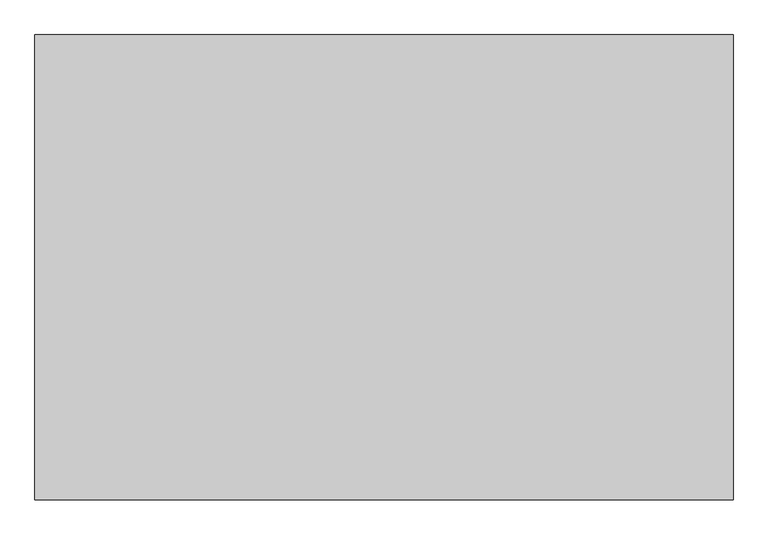
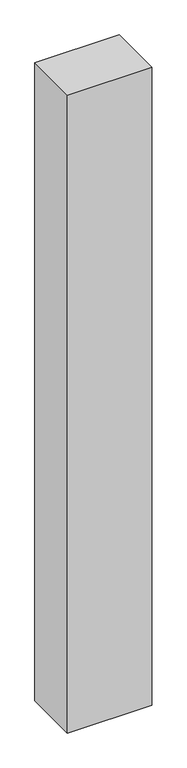
"""IFC4 building model written with IfcOpenShell, lengths in millimetres: proxy geometry."""

import ifcopenshell
import ifcopenshell.guid

model = None  # the IFC model being written
_history = None  # IfcOwnerHistory: only IFC2X3 demands one
_inside = {}  # id of a spatial element -> (the spatial element, [elements in it])
_under = {}  # id of a project, library or spatial element -> (it, [spatial elements below it])
_declared = {}  # id of a project -> (the project, [libraries it declares])
_typed = {}  # id of a type object -> (the type object, [elements of that type])
_made_of = {}  # id of a material, layer set ... -> (it, [elements and type objects made of it])


def new_model(schema):
    """Start an empty IFC model of exactly this schema.

    Asked for "IFC4X3", IfcOpenShell would pick the latest addendum, in which some entities
    have other attributes; the version numbers below select the first issue.
    IFC2X3 requires an IfcOwnerHistory on every rooted entity: one is made here for all.
    """
    global model, _history
    if schema == "IFC4X3":
        model = ifcopenshell.file(schema_version=(4, 3, 0, 0))
    else:
        model = ifcopenshell.file(schema=schema)
    _inside.clear()
    _under.clear()
    _declared.clear()
    _typed.clear()
    _made_of.clear()
    _history = None
    if model.schema == "IFC2X3":
        org = make("IfcOrganization", Name="unknown")
        user = make(
            "IfcPersonAndOrganization",
            ThePerson=make("IfcPerson", FamilyName="unknown"),
            TheOrganization=org,
        )
        app = make(
            "IfcApplication",
            ApplicationDeveloper=org,
            Version="unknown",
            ApplicationFullName="unknown",
            ApplicationIdentifier="unknown",
        )
        _history = make(
            "IfcOwnerHistory",
            OwningUser=user,
            OwningApplication=app,
            ChangeAction="ADDED",
            CreationDate=0,
        )
    return model


def make(cls, **values):
    """One entity of the class cls with the attributes given. An attribute that is None is left unset."""
    return model.create_entity(
        cls, **{name: value for name, value in values.items() if value is not None}
    )


def rooted(cls, **values):
    """An entity with a GlobalId (a new one), such as an element, a storey or a relation."""
    return make(cls, GlobalId=ifcopenshell.guid.new(), OwnerHistory=_history, **values)


def si_unit(unit_type, name, prefix=None):
    """IfcSIUnit, for example si_unit("LENGTHUNIT", "METRE", prefix="MILLI")."""
    return make("IfcSIUnit", UnitType=unit_type, Prefix=prefix, Name=name)


def assignment(units):
    """IfcUnitAssignment: the units of a project."""
    return None if units is None else make("IfcUnitAssignment", Units=units)


def point(xyz):
    """IfcCartesianPoint."""
    return None if xyz is None else make("IfcCartesianPoint", Coordinates=xyz)


def direction(xyz):
    """IfcDirection."""
    return None if xyz is None else make("IfcDirection", DirectionRatios=xyz)


def frame(location, z_axis=None, x_axis=None):
    """IfcAxis2Placement3D, a coordinate frame: its origin and axes. An axis left out is left unset."""
    return make(
        "IfcAxis2Placement3D",
        Location=point(location),
        Axis=direction(z_axis),
        RefDirection=direction(x_axis),
    )


def origin():
    """The frame at (0, 0, 0) with its axes left unset."""
    return frame((0.0, 0.0, 0.0))


def origin_with_axes():
    """The frame at (0, 0, 0) with the z axis (0, 0, 1) and the x axis (1, 0, 0) written out."""
    return frame((0.0, 0.0, 0.0), z_axis=(0.0, 0.0, 1.0), x_axis=(1.0, 0.0, 0.0))


def place(relative_to, where):
    """IfcLocalPlacement: puts the frame where relative to a parent placement (None: the world)."""
    return make(
        "IfcLocalPlacement", PlacementRelTo=relative_to, RelativePlacement=where
    )


def context(
    kind, dimensions, precision=None, world=None, true_north=None, identifier=None
):
    """IfcGeometricRepresentationContext, for example the 3D "Model" context."""
    return make(
        "IfcGeometricRepresentationContext",
        ContextIdentifier=identifier,
        ContextType=kind,
        CoordinateSpaceDimension=dimensions,
        Precision=precision,
        WorldCoordinateSystem=world,
        TrueNorth=true_north,
    )


def project(units=None, contexts=None):
    """IfcProject with its units and contexts."""
    return rooted(
        "IfcProject",
        Name="project",
        RepresentationContexts=contexts,
        UnitsInContext=assignment(units),
    )


def spatial(cls, under=None, at=None, **own):
    """A site, building, storey or space (cls), placed at a placement, below another one or the project."""
    s = rooted(cls, ObjectPlacement=at, **own)
    if under is not None:
        _under.setdefault(under.id(), (under, []))[1].append(s)
    return s


def polyline(points):
    """IfcPolyline through the points."""
    return make("IfcPolyline", Points=[point(p) for p in points])


def outline(outer, holes=None, kind="AREA"):
    """IfcArbitraryClosedProfileDef: a profile drawn as a closed curve; with holes, ...WithVoids."""
    if holes is None:
        return make("IfcArbitraryClosedProfileDef", ProfileType=kind, OuterCurve=outer)
    return make(
        "IfcArbitraryProfileDefWithVoids",
        ProfileType=kind,
        OuterCurve=outer,
        InnerCurves=holes,
    )


def extrude(swept, where, along, depth):
    """IfcExtrudedAreaSolid: the profile swept, set in the frame where, extruded along a direction by depth."""
    return make(
        "IfcExtrudedAreaSolid",
        SweptArea=swept,
        Position=where,
        ExtrudedDirection=direction(along),
        Depth=depth,
    )


def shape(context_of_items, identifier, shape_type, items):
    """IfcShapeRepresentation: the items that make up one representation, for example the "Body"."""
    return make(
        "IfcShapeRepresentation",
        ContextOfItems=context_of_items,
        RepresentationIdentifier=identifier,
        RepresentationType=shape_type,
        Items=items,
    )


def source(mapping_origin, context_of_items, identifier, shape_type, items):
    """IfcRepresentationMap: a shape defined once, which mapped items show again and again."""
    return make(
        "IfcRepresentationMap",
        MappingOrigin=mapping_origin,
        MappedRepresentation=shape(context_of_items, identifier, shape_type, items),
    )


def transform(
    local_origin,
    x_axis=None,
    y_axis=None,
    z_axis=None,
    scale=None,
    scale2=None,
    scale3=None,
    uniform=True,
):
    """IfcCartesianTransformationOperator3D, or its non-uniform kind. x_axis, y_axis, z_axis: its Axis1, 2, 3."""
    if uniform:
        return make(
            "IfcCartesianTransformationOperator3D",
            Axis1=direction(x_axis),
            Axis2=direction(y_axis),
            LocalOrigin=point(local_origin),
            Scale=scale,
            Axis3=direction(z_axis),
        )
    return make(
        "IfcCartesianTransformationOperator3DnonUniform",
        Axis1=direction(x_axis),
        Axis2=direction(y_axis),
        LocalOrigin=point(local_origin),
        Scale=scale,
        Axis3=direction(z_axis),
        Scale2=scale2,
        Scale3=scale3,
    )


def mapped(mapping_source, mapping_target):
    """IfcMappedItem: shows the shape of a source again, moved by a transform."""
    return make(
        "IfcMappedItem", MappingSource=mapping_source, MappingTarget=mapping_target
    )


def made_of(thing, what):
    """Note that an element or type object is made of a material, layer set ...; save() writes the relation."""
    if what is not None:
        _made_of.setdefault(what.id(), (what, []))[1].append(thing)
    return thing


def element(
    cls,
    number,
    at=None,
    inside=None,
    cuts=None,
    type_object=None,
    material=None,
    context=None,
    identifier="Body",
    shape_type=None,
    held_by="IfcProductDefinitionShape",
    body=None,
    shapes=None,
    **own,
):
    """One element of the class cls, such as IfcWall. Its Tag is "e" and its number.

    at: its placement. inside: the storey or other place that contains it. cuts: it is an
    opening in that element (IfcRelVoidsElement). A single representation is given by context,
    identifier, shape_type and body (its items); several are given by shapes. held_by: the class
    of the entity that holds the representations. save() writes the other relations.
    """
    e = rooted(cls, Tag="e%d" % number, ObjectPlacement=at, **own)
    if body is not None:
        shapes = [shape(context, identifier, shape_type, body)]
    if shapes is not None:
        e.Representation = make(held_by, Representations=shapes)
    if inside is not None:
        _inside.setdefault(inside.id(), (inside, []))[1].append(e)
    if cuts is not None:
        rooted(
            "IfcRelVoidsElement", RelatingBuildingElement=cuts, RelatedOpeningElement=e
        )
    if type_object is not None:
        _typed.setdefault(type_object.id(), (type_object, []))[1].append(e)
    return made_of(e, material)


def aggregate(whole, parts):
    """IfcRelAggregates: a whole, such as a stair, and the parts it consists of."""
    return rooted("IfcRelAggregates", RelatingObject=whole, RelatedObjects=parts)


def save(model, path):
    """Write the relations noted so far, then the file.

    IfcRelAggregates (storeys below a building ...), IfcRelContainedInSpatialStructure (elements
    in a storey), IfcRelDefinesByType, IfcRelAssociatesMaterial and IfcRelDeclares: one each for
    every whole, place, type object, material and project.
    """
    for whole, parts in _under.values():
        aggregate(whole, parts)
    for where, things in _inside.values():
        rooted(
            "IfcRelContainedInSpatialStructure",
            RelatedElements=things,
            RelatingStructure=where,
        )
    for kind, things in _typed.values():
        rooted("IfcRelDefinesByType", RelatedObjects=things, RelatingType=kind)
    for what, things in _made_of.values():
        rooted("IfcRelAssociatesMaterial", RelatedObjects=things, RelatingMaterial=what)
    for by, libraries in _declared.values():
        rooted("IfcRelDeclares", RelatingContext=by, RelatedDefinitions=libraries)
    model.write(path)


def generic_models_acf114da(model_context):
    return source(origin(), model_context, "Body", "SweptSolid", [
        extrude(outline(polyline([(1236.2492229, 824.1661486), (1236.2492229, 0.0), (0.0, 0.0), (0.0, 824.1661486), (1236.2492229, 824.1661486)])), origin_with_axes(), (0.0, 0.0, 1.0), 9889.9937832),
    ])


if __name__ == "__main__":
    model = new_model("IFC4")
    model_context = context("Model", 3, world=origin())
    ifc_project = project(units=[si_unit("LENGTHUNIT", "METRE", prefix="MILLI")], contexts=[model_context])
    site = spatial("IfcSite", under=ifc_project)
    building = spatial("IfcBuilding", under=site)
    placement = place(None, origin())
    generic_models_shape = generic_models_acf114da(model_context)
    element("IfcBuildingElementProxy", 1, Name="Generic Models", at=placement, inside=building, context=model_context, shape_type="MappedRepresentation", body=[
        mapped(generic_models_shape, transform((0.0, 0.0, 0.0), x_axis=(1.0, 0.0, 0.0), y_axis=(0.0, 1.0, 0.0), z_axis=(0.0, 0.0, 1.0))),
    ])
    save(model, "model.ifc")
